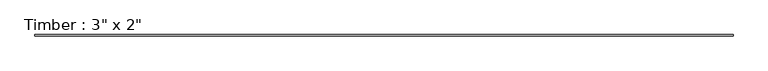
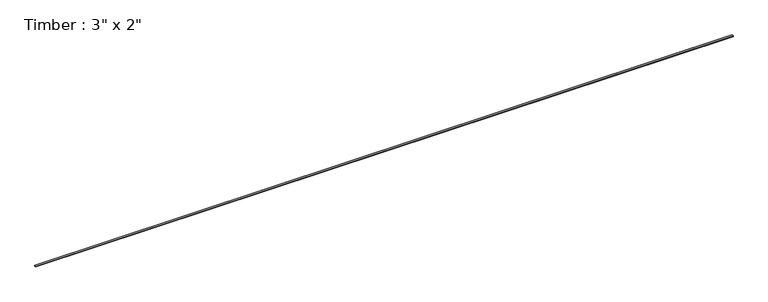
"""IFC4 building model written with IfcOpenShell, lengths in millimetres: beam geometry."""

from ifc_helpers import new_model, si_unit, frame, origin, place, context, project, spatial, polyline, outline, extrude, source, transform, mapped, element, save


def beam_8efc2e92(model_context):
    return source(origin(), model_context, "Body", "SweptSolid", [
        extrude(outline(polyline([(19978.0645057, -38.1), (-19978.0645057, -38.1), (-19978.0645057, 38.1), (19978.0645057, 38.1), (19978.0645057, -38.1)])), frame((0.0, 0.0, -25.4), z_axis=(0.0, 0.0, 1.0), x_axis=(1.0, 0.0, 0.0)), (0.0, 0.0, 1.0), 50.8),
    ])


if __name__ == "__main__":
    model = new_model("IFC4")
    model_context = context("Model", 3, world=origin())
    ifc_project = project(units=[si_unit("LENGTHUNIT", "METRE", prefix="MILLI")], contexts=[model_context])
    site = spatial("IfcSite", under=ifc_project)
    building = spatial("IfcBuilding", under=site)
    placement = place(None, origin())
    beam_shape = beam_8efc2e92(model_context)
    element("IfcBeam", 1, ObjectType="Timber : 3\" x 2\"", at=placement, inside=building, context=model_context, shape_type="MappedRepresentation", body=[
        mapped(beam_shape, transform((0.0, 0.0, 0.0), x_axis=(1.0, 0.0, 0.0), y_axis=(0.0, 1.0, 0.0), z_axis=(0.0, 0.0, 1.0))),
    ])
    save(model, "model.ifc")
